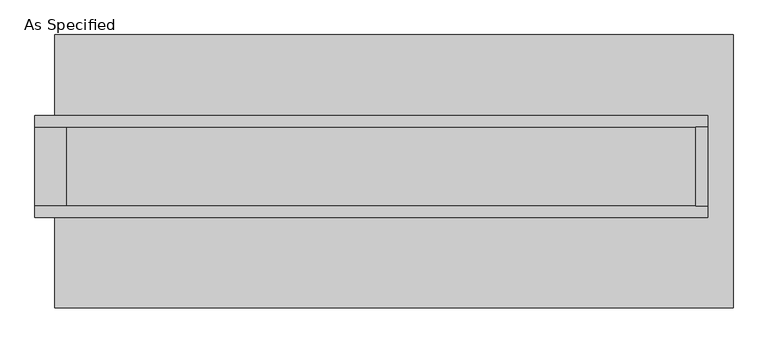
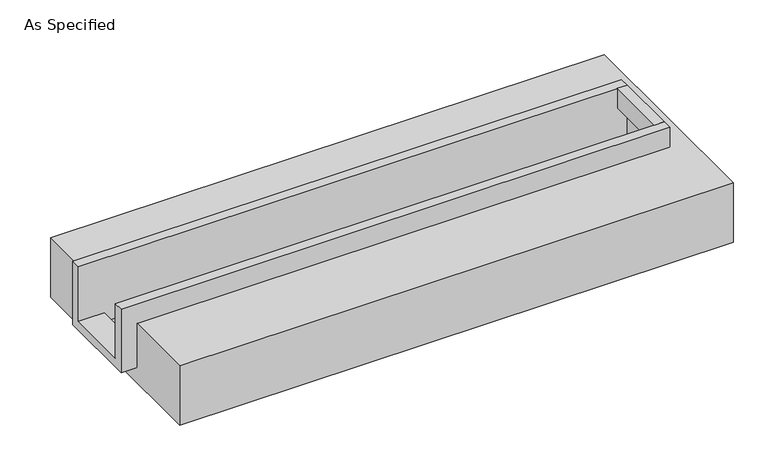
"""IFC4 building model written with IfcOpenShell, lengths in millimetres: proxy geometry, As Specified."""

import ifcopenshell
import ifcopenshell.guid

model = None  # the IFC model being written
_history = None  # IfcOwnerHistory: only IFC2X3 demands one
_inside = {}  # id of a spatial element -> (the spatial element, [elements in it])
_under = {}  # id of a project, library or spatial element -> (it, [spatial elements below it])
_declared = {}  # id of a project -> (the project, [libraries it declares])
_typed = {}  # id of a type object -> (the type object, [elements of that type])
_made_of = {}  # id of a material, layer set ... -> (it, [elements and type objects made of it])


def new_model(schema):
    """Start an empty IFC model of exactly this schema.

    Asked for "IFC4X3", IfcOpenShell would pick the latest addendum, in which some entities
    have other attributes; the version numbers below select the first issue.
    IFC2X3 requires an IfcOwnerHistory on every rooted entity: one is made here for all.
    """
    global model, _history
    if schema == "IFC4X3":
        model = ifcopenshell.file(schema_version=(4, 3, 0, 0))
    else:
        model = ifcopenshell.file(schema=schema)
    _inside.clear()
    _under.clear()
    _declared.clear()
    _typed.clear()
    _made_of.clear()
    _history = None
    if model.schema == "IFC2X3":
        org = make("IfcOrganization", Name="unknown")
        user = make(
            "IfcPersonAndOrganization",
            ThePerson=make("IfcPerson", FamilyName="unknown"),
            TheOrganization=org,
        )
        app = make(
            "IfcApplication",
            ApplicationDeveloper=org,
            Version="unknown",
            ApplicationFullName="unknown",
            ApplicationIdentifier="unknown",
        )
        _history = make(
            "IfcOwnerHistory",
            OwningUser=user,
            OwningApplication=app,
            ChangeAction="ADDED",
            CreationDate=0,
        )
    return model


def make(cls, **values):
    """One entity of the class cls with the attributes given. An attribute that is None is left unset."""
    return model.create_entity(
        cls, **{name: value for name, value in values.items() if value is not None}
    )


def rooted(cls, **values):
    """An entity with a GlobalId (a new one), such as an element, a storey or a relation."""
    return make(cls, GlobalId=ifcopenshell.guid.new(), OwnerHistory=_history, **values)


def si_unit(unit_type, name, prefix=None):
    """IfcSIUnit, for example si_unit("LENGTHUNIT", "METRE", prefix="MILLI")."""
    return make("IfcSIUnit", UnitType=unit_type, Prefix=prefix, Name=name)


def assignment(units):
    """IfcUnitAssignment: the units of a project."""
    return None if units is None else make("IfcUnitAssignment", Units=units)


def point(xyz):
    """IfcCartesianPoint."""
    return None if xyz is None else make("IfcCartesianPoint", Coordinates=xyz)


def direction(xyz):
    """IfcDirection."""
    return None if xyz is None else make("IfcDirection", DirectionRatios=xyz)


def frame(location, z_axis=None, x_axis=None):
    """IfcAxis2Placement3D, a coordinate frame: its origin and axes. An axis left out is left unset."""
    return make(
        "IfcAxis2Placement3D",
        Location=point(location),
        Axis=direction(z_axis),
        RefDirection=direction(x_axis),
    )


def origin():
    """The frame at (0, 0, 0) with its axes left unset."""
    return frame((0.0, 0.0, 0.0))


def place(relative_to, where):
    """IfcLocalPlacement: puts the frame where relative to a parent placement (None: the world)."""
    return make(
        "IfcLocalPlacement", PlacementRelTo=relative_to, RelativePlacement=where
    )


def context(
    kind, dimensions, precision=None, world=None, true_north=None, identifier=None
):
    """IfcGeometricRepresentationContext, for example the 3D "Model" context."""
    return make(
        "IfcGeometricRepresentationContext",
        ContextIdentifier=identifier,
        ContextType=kind,
        CoordinateSpaceDimension=dimensions,
        Precision=precision,
        WorldCoordinateSystem=world,
        TrueNorth=true_north,
    )


def project(units=None, contexts=None):
    """IfcProject with its units and contexts."""
    return rooted(
        "IfcProject",
        Name="project",
        RepresentationContexts=contexts,
        UnitsInContext=assignment(units),
    )


def spatial(cls, under=None, at=None, **own):
    """A site, building, storey or space (cls), placed at a placement, below another one or the project."""
    s = rooted(cls, ObjectPlacement=at, **own)
    if under is not None:
        _under.setdefault(under.id(), (under, []))[1].append(s)
    return s


def polyline(points):
    """IfcPolyline through the points."""
    return make("IfcPolyline", Points=[point(p) for p in points])


def outline(outer, holes=None, kind="AREA"):
    """IfcArbitraryClosedProfileDef: a profile drawn as a closed curve; with holes, ...WithVoids."""
    if holes is None:
        return make("IfcArbitraryClosedProfileDef", ProfileType=kind, OuterCurve=outer)
    return make(
        "IfcArbitraryProfileDefWithVoids",
        ProfileType=kind,
        OuterCurve=outer,
        InnerCurves=holes,
    )


def extrude(swept, where, along, depth):
    """IfcExtrudedAreaSolid: the profile swept, set in the frame where, extruded along a direction by depth."""
    return make(
        "IfcExtrudedAreaSolid",
        SweptArea=swept,
        Position=where,
        ExtrudedDirection=direction(along),
        Depth=depth,
    )


def faces_of(points, faces, orient=None, outer=None):
    """IfcFace entities. A face is a list of loops; a loop is a list of indices into points, from 0.

    orient and outer hold one flag for each loop. By default every Orientation is true, the
    first loop of a face is its IfcFaceOuterBound and the others are IfcFaceBound.
    """
    made = []
    for i, loops in enumerate(faces):
        bounds = []
        for j, loop in enumerate(loops):
            is_outer = j == 0 if outer is None else outer[i][j]
            bounds.append(
                make(
                    "IfcFaceOuterBound" if is_outer else "IfcFaceBound",
                    Bound=make("IfcPolyLoop", Polygon=[points[k] for k in loop]),
                    Orientation=True if orient is None else orient[i][j],
                )
            )
        made.append(make("IfcFace", Bounds=bounds))
    return made


def faceted_brep(points, faces, orient=None, outer=None, voids=None):
    """IfcFacetedBrep: a solid bounded by flat faces; with voids (closed shells), ...WithVoids."""
    shared = [point(p) for p in points]
    hull = make("IfcClosedShell", CfsFaces=faces_of(shared, faces, orient, outer))
    if voids is None:
        return make("IfcFacetedBrep", Outer=hull)
    return make(
        "IfcFacetedBrepWithVoids",
        Outer=hull,
        Voids=[
            make(cls, CfsFaces=faces_of(shared, fs, o, b)) for cls, fs, o, b in voids
        ],
    )


def shape(context_of_items, identifier, shape_type, items):
    """IfcShapeRepresentation: the items that make up one representation, for example the "Body"."""
    return make(
        "IfcShapeRepresentation",
        ContextOfItems=context_of_items,
        RepresentationIdentifier=identifier,
        RepresentationType=shape_type,
        Items=items,
    )


def source(mapping_origin, context_of_items, identifier, shape_type, items):
    """IfcRepresentationMap: a shape defined once, which mapped items show again and again."""
    return make(
        "IfcRepresentationMap",
        MappingOrigin=mapping_origin,
        MappedRepresentation=shape(context_of_items, identifier, shape_type, items),
    )


def transform(
    local_origin,
    x_axis=None,
    y_axis=None,
    z_axis=None,
    scale=None,
    scale2=None,
    scale3=None,
    uniform=True,
):
    """IfcCartesianTransformationOperator3D, or its non-uniform kind. x_axis, y_axis, z_axis: its Axis1, 2, 3."""
    if uniform:
        return make(
            "IfcCartesianTransformationOperator3D",
            Axis1=direction(x_axis),
            Axis2=direction(y_axis),
            LocalOrigin=point(local_origin),
            Scale=scale,
            Axis3=direction(z_axis),
        )
    return make(
        "IfcCartesianTransformationOperator3DnonUniform",
        Axis1=direction(x_axis),
        Axis2=direction(y_axis),
        LocalOrigin=point(local_origin),
        Scale=scale,
        Axis3=direction(z_axis),
        Scale2=scale2,
        Scale3=scale3,
    )


def mapped(mapping_source, mapping_target):
    """IfcMappedItem: shows the shape of a source again, moved by a transform."""
    return make(
        "IfcMappedItem", MappingSource=mapping_source, MappingTarget=mapping_target
    )


def made_of(thing, what):
    """Note that an element or type object is made of a material, layer set ...; save() writes the relation."""
    if what is not None:
        _made_of.setdefault(what.id(), (what, []))[1].append(thing)
    return thing


def element(
    cls,
    number,
    at=None,
    inside=None,
    cuts=None,
    type_object=None,
    material=None,
    context=None,
    identifier="Body",
    shape_type=None,
    held_by="IfcProductDefinitionShape",
    body=None,
    shapes=None,
    **own,
):
    """One element of the class cls, such as IfcWall. Its Tag is "e" and its number.

    at: its placement. inside: the storey or other place that contains it. cuts: it is an
    opening in that element (IfcRelVoidsElement). A single representation is given by context,
    identifier, shape_type and body (its items); several are given by shapes. held_by: the class
    of the entity that holds the representations. save() writes the other relations.
    """
    e = rooted(cls, Tag="e%d" % number, ObjectPlacement=at, **own)
    if body is not None:
        shapes = [shape(context, identifier, shape_type, body)]
    if shapes is not None:
        e.Representation = make(held_by, Representations=shapes)
    if inside is not None:
        _inside.setdefault(inside.id(), (inside, []))[1].append(e)
    if cuts is not None:
        rooted(
            "IfcRelVoidsElement", RelatingBuildingElement=cuts, RelatedOpeningElement=e
        )
    if type_object is not None:
        _typed.setdefault(type_object.id(), (type_object, []))[1].append(e)
    return made_of(e, material)


def aggregate(whole, parts):
    """IfcRelAggregates: a whole, such as a stair, and the parts it consists of."""
    return rooted("IfcRelAggregates", RelatingObject=whole, RelatedObjects=parts)


def save(model, path):
    """Write the relations noted so far, then the file.

    IfcRelAggregates (storeys below a building ...), IfcRelContainedInSpatialStructure (elements
    in a storey), IfcRelDefinesByType, IfcRelAssociatesMaterial and IfcRelDeclares: one each for
    every whole, place, type object, material and project.
    """
    for whole, parts in _under.values():
        aggregate(whole, parts)
    for where, things in _inside.values():
        rooted(
            "IfcRelContainedInSpatialStructure",
            RelatedElements=things,
            RelatingStructure=where,
        )
    for kind, things in _typed.values():
        rooted("IfcRelDefinesByType", RelatedObjects=things, RelatingType=kind)
    for what, things in _made_of.values():
        rooted("IfcRelAssociatesMaterial", RelatedObjects=things, RelatingMaterial=what)
    for by, libraries in _declared.values():
        rooted("IfcRelDeclares", RelatingContext=by, RelatedDefinitions=libraries)
    model.write(path)


def as_specified_f4a14a8d(model_context):
    return source(origin(), model_context, "Body", "SolidModel", [
        extrude(outline(polyline([(1949.45, 285.75), (2025.65, 285.75), (2025.65, -222.25), (1949.45, -222.25), (1949.45, 285.75)])), frame((0.0, 0.0, -25.4), z_axis=(0.0, 0.0, 1.0), x_axis=(1.0, 0.0, 0.0)), (0.0, 0.0, 1.0), 165.1),
        faceted_brep([(2025.65, 285.75, 139.7), (2025.65, 285.75, -317.5), (2025.65, -222.25, -317.5), (2025.65, -222.25, 139.7), (2025.65, -298.45, 139.7), (2025.65, -298.45, -393.7), (2025.65, 361.95, -393.7), (2025.65, 361.95, 139.7), (-2317.75, 285.75, 139.7), (-2317.75, 361.95, 139.7), (-2317.75, 361.95, -393.7), (-2317.75, -298.45, -393.7), (-2317.75, -298.45, 139.7), (-2317.75, -222.25, 139.7), (-2317.75, -222.25, -317.5), (-2317.75, 285.75, -317.5), (-2114.55, 285.75, -393.7), (-2114.55, -222.25, -393.7), (1949.45, -222.25, -393.7), (1949.45, 285.75, -393.7), (1949.45, -222.25, -317.5), (-2114.55, -222.25, -317.5), (1949.45, 285.75, -317.5), (-2114.55, 285.75, -317.5)], [[[0, 1, 2, 3, 4, 5, 6, 7]], [[8, 9, 10, 11, 12, 13, 14, 15]], [[0, 7, 9, 8]], [[7, 6, 10, 9]], [[6, 5, 11, 10], [16, 17, 18, 19]], [[4, 3, 13, 12]], [[3, 2, 20, 18, 17, 21, 14, 13]], [[2, 1, 22, 20]], [[15, 14, 21, 23]], [[1, 0, 8, 15, 23, 16, 19, 22]], [[21, 17, 16, 23]], [[18, 20, 22, 19]], [[5, 4, 12, 11]]]),
        faceted_brep([(-2190.75, 882.65, -523.9742188), (2190.75, 882.65, -523.9742188), (2190.75, -882.65, -523.9742188), (-2190.75, -882.65, -523.9742188), (2190.75, 882.65, -25.4), (-2190.75, 882.65, -25.4), (-2190.75, 361.95, -25.4), (2025.65, 361.95, -25.4), (2025.65, -298.45, -25.4), (-2190.75, -298.45, -25.4), (-2190.75, -882.65, -25.4), (2190.75, -882.65, -25.4), (-2190.75, -298.45, -393.7), (-2190.75, 361.95, -393.7), (2025.65, 361.95, -393.7), (2025.65, -298.45, -393.7)], [[[0, 1, 2, 3]], [[4, 5, 6, 7, 8, 9, 10, 11]], [[1, 0, 5, 4]], [[5, 0, 3, 10, 9, 12, 13, 6]], [[1, 4, 11, 2]], [[3, 2, 11, 10]], [[14, 15, 8, 7]], [[13, 14, 7, 6]], [[15, 14, 13, 12]], [[15, 12, 9, 8]]]),
    ])


if __name__ == "__main__":
    model = new_model("IFC4")
    model_context = context("Model", 3, world=origin())
    ifc_project = project(units=[si_unit("LENGTHUNIT", "METRE", prefix="MILLI")], contexts=[model_context])
    site = spatial("IfcSite", under=ifc_project)
    building = spatial("IfcBuilding", under=site)
    placement = place(None, origin())
    as_specified_shape = as_specified_f4a14a8d(model_context)
    element("IfcBuildingElementProxy", 1, Name="As Specified", ObjectType="As Specified", at=placement, inside=building, context=model_context, shape_type="MappedRepresentation", body=[
        mapped(as_specified_shape, transform((0.0, 0.0, 0.0), x_axis=(1.0, 0.0, 0.0), y_axis=(0.0, 1.0, 0.0), z_axis=(0.0, 0.0, 1.0))),
    ])
    save(model, "model.ifc")
